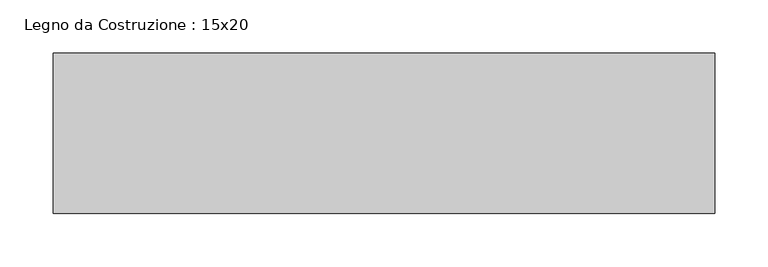
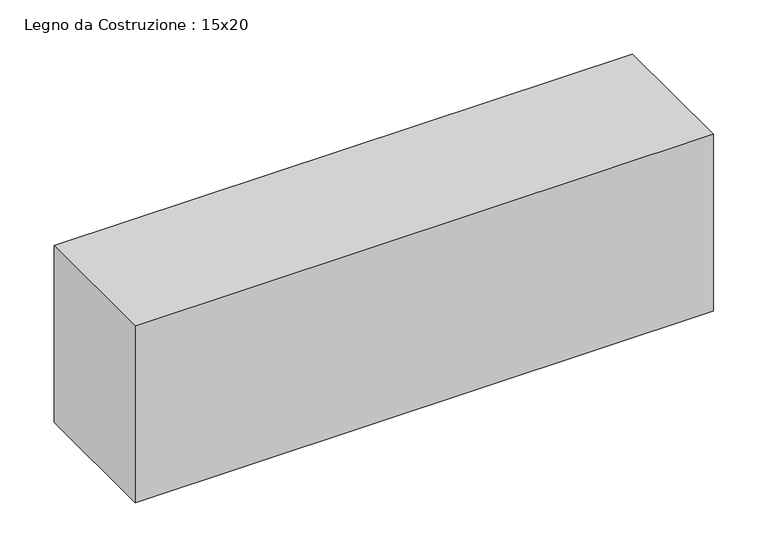
"""IFC4 building model written with IfcOpenShell, lengths in millimetres: beam geometry, Legno da Costruzione : 15x20."""

import ifcopenshell
import ifcopenshell.guid

model = None  # the IFC model being written
_history = None  # IfcOwnerHistory: only IFC2X3 demands one
_inside = {}  # id of a spatial element -> (the spatial element, [elements in it])
_under = {}  # id of a project, library or spatial element -> (it, [spatial elements below it])
_declared = {}  # id of a project -> (the project, [libraries it declares])
_typed = {}  # id of a type object -> (the type object, [elements of that type])
_made_of = {}  # id of a material, layer set ... -> (it, [elements and type objects made of it])


def new_model(schema):
    """Start an empty IFC model of exactly this schema.

    Asked for "IFC4X3", IfcOpenShell would pick the latest addendum, in which some entities
    have other attributes; the version numbers below select the first issue.
    IFC2X3 requires an IfcOwnerHistory on every rooted entity: one is made here for all.
    """
    global model, _history
    if schema == "IFC4X3":
        model = ifcopenshell.file(schema_version=(4, 3, 0, 0))
    else:
        model = ifcopenshell.file(schema=schema)
    _inside.clear()
    _under.clear()
    _declared.clear()
    _typed.clear()
    _made_of.clear()
    _history = None
    if model.schema == "IFC2X3":
        org = make("IfcOrganization", Name="unknown")
        user = make(
            "IfcPersonAndOrganization",
            ThePerson=make("IfcPerson", FamilyName="unknown"),
            TheOrganization=org,
        )
        app = make(
            "IfcApplication",
            ApplicationDeveloper=org,
            Version="unknown",
            ApplicationFullName="unknown",
            ApplicationIdentifier="unknown",
        )
        _history = make(
            "IfcOwnerHistory",
            OwningUser=user,
            OwningApplication=app,
            ChangeAction="ADDED",
            CreationDate=0,
        )
    return model


def make(cls, **values):
    """One entity of the class cls with the attributes given. An attribute that is None is left unset."""
    return model.create_entity(
        cls, **{name: value for name, value in values.items() if value is not None}
    )


def rooted(cls, **values):
    """An entity with a GlobalId (a new one), such as an element, a storey or a relation."""
    return make(cls, GlobalId=ifcopenshell.guid.new(), OwnerHistory=_history, **values)


def si_unit(unit_type, name, prefix=None):
    """IfcSIUnit, for example si_unit("LENGTHUNIT", "METRE", prefix="MILLI")."""
    return make("IfcSIUnit", UnitType=unit_type, Prefix=prefix, Name=name)


def assignment(units):
    """IfcUnitAssignment: the units of a project."""
    return None if units is None else make("IfcUnitAssignment", Units=units)


def point(xyz):
    """IfcCartesianPoint."""
    return None if xyz is None else make("IfcCartesianPoint", Coordinates=xyz)


def direction(xyz):
    """IfcDirection."""
    return None if xyz is None else make("IfcDirection", DirectionRatios=xyz)


def frame(location, z_axis=None, x_axis=None):
    """IfcAxis2Placement3D, a coordinate frame: its origin and axes. An axis left out is left unset."""
    return make(
        "IfcAxis2Placement3D",
        Location=point(location),
        Axis=direction(z_axis),
        RefDirection=direction(x_axis),
    )


def origin():
    """The frame at (0, 0, 0) with its axes left unset."""
    return frame((0.0, 0.0, 0.0))


def place(relative_to, where):
    """IfcLocalPlacement: puts the frame where relative to a parent placement (None: the world)."""
    return make(
        "IfcLocalPlacement", PlacementRelTo=relative_to, RelativePlacement=where
    )


def context(
    kind, dimensions, precision=None, world=None, true_north=None, identifier=None
):
    """IfcGeometricRepresentationContext, for example the 3D "Model" context."""
    return make(
        "IfcGeometricRepresentationContext",
        ContextIdentifier=identifier,
        ContextType=kind,
        CoordinateSpaceDimension=dimensions,
        Precision=precision,
        WorldCoordinateSystem=world,
        TrueNorth=true_north,
    )


def project(units=None, contexts=None):
    """IfcProject with its units and contexts."""
    return rooted(
        "IfcProject",
        Name="project",
        RepresentationContexts=contexts,
        UnitsInContext=assignment(units),
    )


def spatial(cls, under=None, at=None, **own):
    """A site, building, storey or space (cls), placed at a placement, below another one or the project."""
    s = rooted(cls, ObjectPlacement=at, **own)
    if under is not None:
        _under.setdefault(under.id(), (under, []))[1].append(s)
    return s


def polyline(points):
    """IfcPolyline through the points."""
    return make("IfcPolyline", Points=[point(p) for p in points])


def outline(outer, holes=None, kind="AREA"):
    """IfcArbitraryClosedProfileDef: a profile drawn as a closed curve; with holes, ...WithVoids."""
    if holes is None:
        return make("IfcArbitraryClosedProfileDef", ProfileType=kind, OuterCurve=outer)
    return make(
        "IfcArbitraryProfileDefWithVoids",
        ProfileType=kind,
        OuterCurve=outer,
        InnerCurves=holes,
    )


def extrude(swept, where, along, depth):
    """IfcExtrudedAreaSolid: the profile swept, set in the frame where, extruded along a direction by depth."""
    return make(
        "IfcExtrudedAreaSolid",
        SweptArea=swept,
        Position=where,
        ExtrudedDirection=direction(along),
        Depth=depth,
    )


def shape(context_of_items, identifier, shape_type, items):
    """IfcShapeRepresentation: the items that make up one representation, for example the "Body"."""
    return make(
        "IfcShapeRepresentation",
        ContextOfItems=context_of_items,
        RepresentationIdentifier=identifier,
        RepresentationType=shape_type,
        Items=items,
    )


def source(mapping_origin, context_of_items, identifier, shape_type, items):
    """IfcRepresentationMap: a shape defined once, which mapped items show again and again."""
    return make(
        "IfcRepresentationMap",
        MappingOrigin=mapping_origin,
        MappedRepresentation=shape(context_of_items, identifier, shape_type, items),
    )


def transform(
    local_origin,
    x_axis=None,
    y_axis=None,
    z_axis=None,
    scale=None,
    scale2=None,
    scale3=None,
    uniform=True,
):
    """IfcCartesianTransformationOperator3D, or its non-uniform kind. x_axis, y_axis, z_axis: its Axis1, 2, 3."""
    if uniform:
        return make(
            "IfcCartesianTransformationOperator3D",
            Axis1=direction(x_axis),
            Axis2=direction(y_axis),
            LocalOrigin=point(local_origin),
            Scale=scale,
            Axis3=direction(z_axis),
        )
    return make(
        "IfcCartesianTransformationOperator3DnonUniform",
        Axis1=direction(x_axis),
        Axis2=direction(y_axis),
        LocalOrigin=point(local_origin),
        Scale=scale,
        Axis3=direction(z_axis),
        Scale2=scale2,
        Scale3=scale3,
    )


def mapped(mapping_source, mapping_target):
    """IfcMappedItem: shows the shape of a source again, moved by a transform."""
    return make(
        "IfcMappedItem", MappingSource=mapping_source, MappingTarget=mapping_target
    )


def made_of(thing, what):
    """Note that an element or type object is made of a material, layer set ...; save() writes the relation."""
    if what is not None:
        _made_of.setdefault(what.id(), (what, []))[1].append(thing)
    return thing


def element(
    cls,
    number,
    at=None,
    inside=None,
    cuts=None,
    type_object=None,
    material=None,
    context=None,
    identifier="Body",
    shape_type=None,
    held_by="IfcProductDefinitionShape",
    body=None,
    shapes=None,
    **own,
):
    """One element of the class cls, such as IfcWall. Its Tag is "e" and its number.

    at: its placement. inside: the storey or other place that contains it. cuts: it is an
    opening in that element (IfcRelVoidsElement). A single representation is given by context,
    identifier, shape_type and body (its items); several are given by shapes. held_by: the class
    of the entity that holds the representations. save() writes the other relations.
    """
    e = rooted(cls, Tag="e%d" % number, ObjectPlacement=at, **own)
    if body is not None:
        shapes = [shape(context, identifier, shape_type, body)]
    if shapes is not None:
        e.Representation = make(held_by, Representations=shapes)
    if inside is not None:
        _inside.setdefault(inside.id(), (inside, []))[1].append(e)
    if cuts is not None:
        rooted(
            "IfcRelVoidsElement", RelatingBuildingElement=cuts, RelatedOpeningElement=e
        )
    if type_object is not None:
        _typed.setdefault(type_object.id(), (type_object, []))[1].append(e)
    return made_of(e, material)


def aggregate(whole, parts):
    """IfcRelAggregates: a whole, such as a stair, and the parts it consists of."""
    return rooted("IfcRelAggregates", RelatingObject=whole, RelatedObjects=parts)


def save(model, path):
    """Write the relations noted so far, then the file.

    IfcRelAggregates (storeys below a building ...), IfcRelContainedInSpatialStructure (elements
    in a storey), IfcRelDefinesByType, IfcRelAssociatesMaterial and IfcRelDeclares: one each for
    every whole, place, type object, material and project.
    """
    for whole, parts in _under.values():
        aggregate(whole, parts)
    for where, things in _inside.values():
        rooted(
            "IfcRelContainedInSpatialStructure",
            RelatedElements=things,
            RelatingStructure=where,
        )
    for kind, things in _typed.values():
        rooted("IfcRelDefinesByType", RelatedObjects=things, RelatingType=kind)
    for what, things in _made_of.values():
        rooted("IfcRelAssociatesMaterial", RelatedObjects=things, RelatingMaterial=what)
    for by, libraries in _declared.values():
        rooted("IfcRelDeclares", RelatingContext=by, RelatedDefinitions=libraries)
    model.write(path)


def legno_da_costruzione_15x20_e72282d8(model_context):
    return source(origin(), model_context, "Body", "SweptSolid", [
        extrude(outline(polyline([(404.0, 75.0), (404.0, -75.0), (-215.0, -75.0), (-215.0, 75.0), (404.0, 75.0)])), frame((0.0, 0.0, -100.0), z_axis=(0.0, 0.0, 1.0), x_axis=(1.0, 0.0, 0.0)), (0.0, 0.0, 1.0), 200.0),
    ])


if __name__ == "__main__":
    model = new_model("IFC4")
    model_context = context("Model", 3, world=origin())
    ifc_project = project(units=[si_unit("LENGTHUNIT", "METRE", prefix="MILLI")], contexts=[model_context])
    site = spatial("IfcSite", under=ifc_project)
    building = spatial("IfcBuilding", under=site)
    placement = place(None, origin())
    legno_da_costruzione_15x20_shape = legno_da_costruzione_15x20_e72282d8(model_context)
    element("IfcBeam", 1, ObjectType="Legno da Costruzione : 15x20", at=placement, inside=building, context=model_context, shape_type="MappedRepresentation", body=[
        mapped(legno_da_costruzione_15x20_shape, transform((0.0, 0.0, 0.0), x_axis=(1.0, 0.0, 0.0), y_axis=(0.0, 1.0, 0.0), z_axis=(0.0, 0.0, 1.0))),
    ])
    save(model, "model.ifc")
